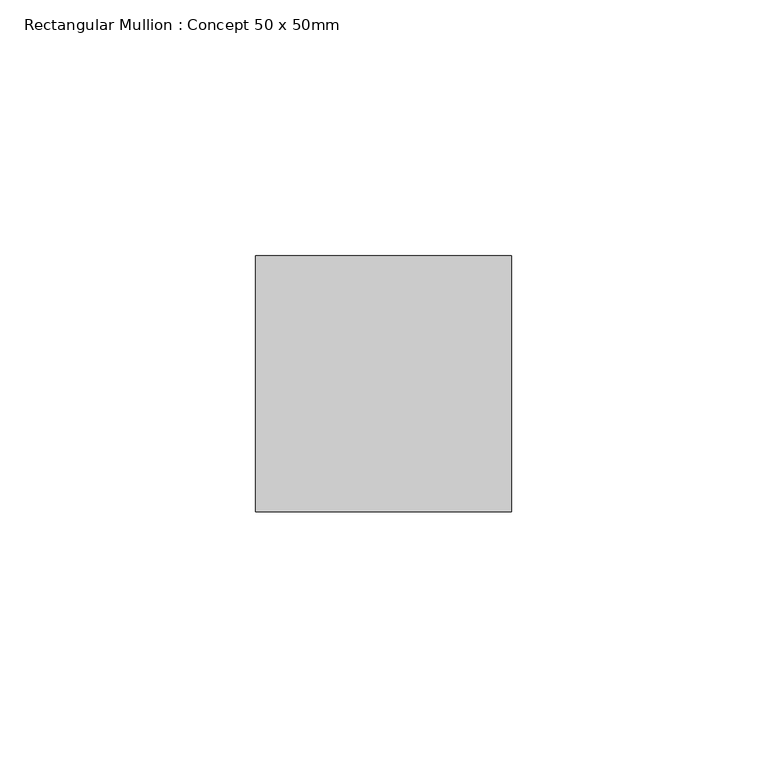
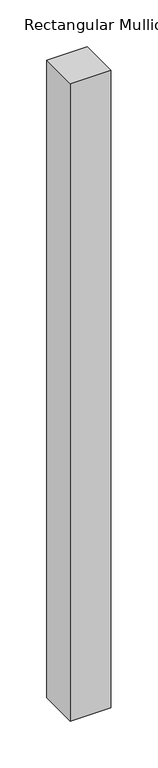
"""IFC4 building model written with IfcOpenShell, lengths in millimetres: member geometry, Rectangular Mullion : Concept 50 x 50mm."""

from ifc_helpers import new_model, si_unit, frame, origin, place, context, project, spatial, polyline, outline, extrude, source, transform, mapped, element, save


def rectangular_mullion_concept_50_x_50mm_4844be09(model_context):
    return source(origin(), model_context, "Body", "SweptSolid", [
        extrude(outline(polyline([(0.0, 50.0), (0.0, 0.0), (-50.0, 0.0), (-50.0, 50.0), (0.0, 50.0)])), frame((0.0, 0.0, -830.0), z_axis=(0.0, 0.0, 1.0), x_axis=(1.0, 0.0, 0.0)), (0.0, 0.0, 1.0), 830.0),
    ])


if __name__ == "__main__":
    model = new_model("IFC4")
    model_context = context("Model", 3, world=origin())
    ifc_project = project(units=[si_unit("LENGTHUNIT", "METRE", prefix="MILLI")], contexts=[model_context])
    site = spatial("IfcSite", under=ifc_project)
    building = spatial("IfcBuilding", under=site)
    placement = place(None, origin())
    rectangular_mullion_concept_50_x_50mm_shape = rectangular_mullion_concept_50_x_50mm_4844be09(model_context)
    element("IfcMember", 1, ObjectType="Rectangular Mullion : Concept 50 x 50mm", at=placement, inside=building, context=model_context, shape_type="MappedRepresentation", body=[
        mapped(rectangular_mullion_concept_50_x_50mm_shape, transform((0.0, 0.0, 0.0), x_axis=(1.0, 0.0, 0.0), y_axis=(0.0, 1.0, 0.0), z_axis=(0.0, 0.0, 1.0))),
    ])
    save(model, "model.ifc")
